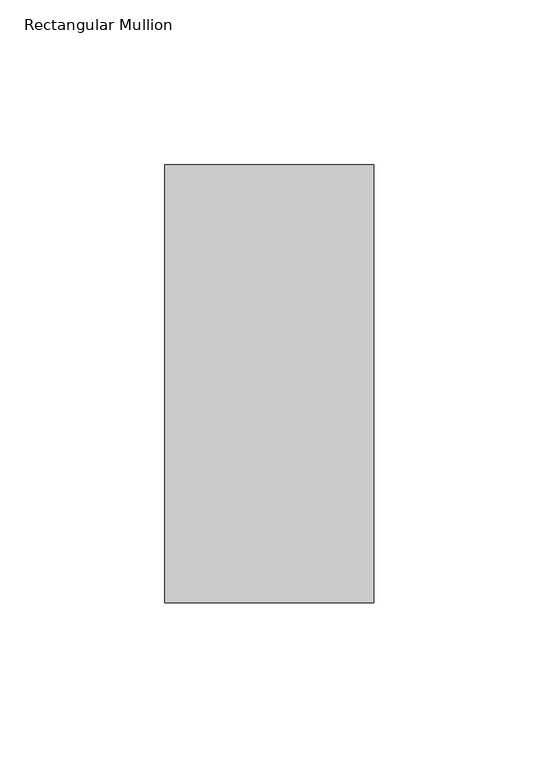
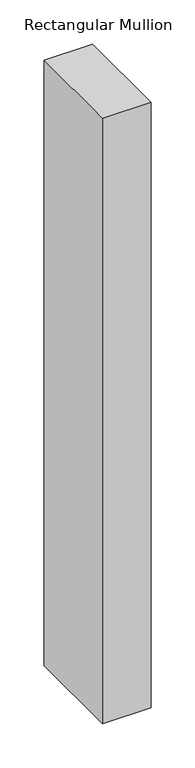
"""IFC4 building model written with IfcOpenShell, lengths in millimetres: member geometry, Rectangular Mullion."""

from ifc_helpers import new_model, si_unit, frame, origin, place, context, project, spatial, polyline, outline, extrude, source, transform, mapped, element, save


def rectangular_mullion_31f96973(model_context):
    return source(origin(), model_context, "Body", "SweptSolid", [
        extrude(outline(polyline([(31.75, 190.5896938), (31.75, 57.6460938), (-31.75, 57.6460937), (-31.75, 190.5896938), (31.75, 190.5896938)])), frame((0.0, 0.0, -838.2), z_axis=(0.0, 0.0, 1.0), x_axis=(1.0, 0.0, 0.0)), (0.0, 0.0, 1.0), 838.2),
    ])


if __name__ == "__main__":
    model = new_model("IFC4")
    model_context = context("Model", 3, world=origin())
    ifc_project = project(units=[si_unit("LENGTHUNIT", "METRE", prefix="MILLI")], contexts=[model_context])
    site = spatial("IfcSite", under=ifc_project)
    building = spatial("IfcBuilding", under=site)
    placement = place(None, origin())
    rectangular_mullion_shape = rectangular_mullion_31f96973(model_context)
    element("IfcMember", 1, ObjectType="Rectangular Mullion", at=placement, inside=building, context=model_context, shape_type="MappedRepresentation", body=[
        mapped(rectangular_mullion_shape, transform((0.0, 0.0, 0.0), x_axis=(1.0, 0.0, 0.0), y_axis=(0.0, 1.0, 0.0), z_axis=(0.0, 0.0, 1.0))),
    ])
    save(model, "model.ifc")
